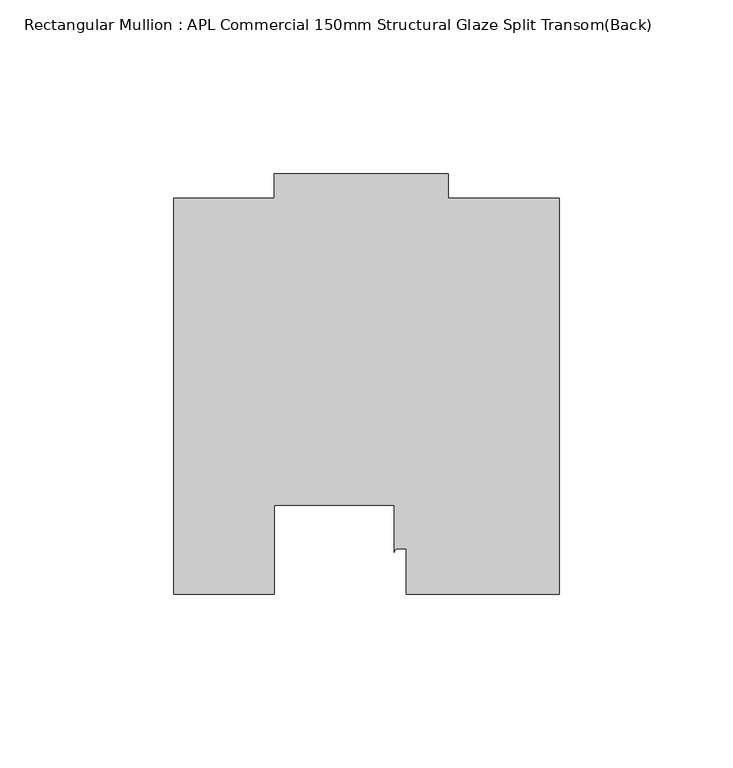
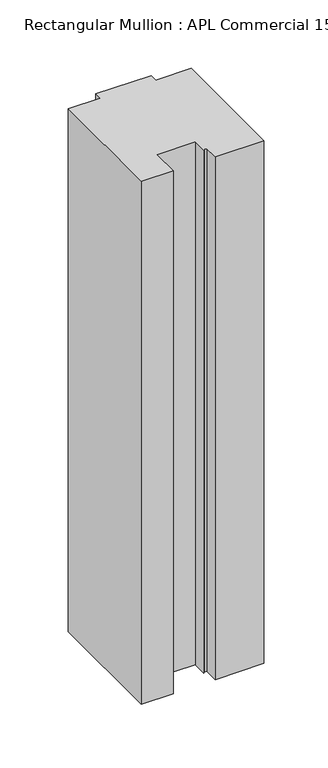
"""IFC4 building model written with IfcOpenShell, lengths in millimetres: member geometry, Rectangular Mullion : APL Commercial 150mm Structural Glaze Split Transom(Back)."""

from ifc_helpers import new_model, si_unit, point, frame, frame_2d, origin, place, context, project, spatial, polyline, circle_curve, trimmed, segment, composite_curve, outline, extrude, source, transform, mapped, element, save


def rectangular_mullion_apl_commercial_150mm_structural_glaze_7ca61022(model_context):
    return source(origin(), model_context, "Body", "SweptSolid", [
        extrude(outline(composite_curve([segment(polyline([(54.0000029, 15.0004617), (10.0000029, 15.0004617), (10.0000029, 28.0002131), (7.5000029, 28.0002131)]), True, "CONTINUOUS"), segment(trimmed(circle_curve(frame_2d((7.5000029, 27.0002131)), 1.0), [point((7.5000029, 28.0002131))], [point((6.5000029, 27.0002131))], True, "CARTESIAN"), True, "CONTINUOUS"), segment(polyline([(6.5000029, 27.0002131), (6.5000029, 40.499932), (-28.0000482, 40.499932), (-28.0000482, 15.0001793), (-57.0000004, 15.0001793), (-57.0000004, 129.0002765), (-27.9971154, 129.0002765), (-27.9971154, 136.0003326), (22.0028846, 136.0003326), (22.0028846, 129.0003326), (54.0000029, 129.0003326), (54.0000029, 15.0004617)]), True, "CONTINUOUS")], self_intersect=False)), frame((0.0, 0.0, -499.5829221), z_axis=(0.0, 0.0, 1.0), x_axis=(1.0, 0.0, 0.0)), (0.0, 0.0, 1.0), 499.5829221),
    ])


if __name__ == "__main__":
    model = new_model("IFC4")
    model_context = context("Model", 3, world=origin())
    ifc_project = project(units=[si_unit("LENGTHUNIT", "METRE", prefix="MILLI")], contexts=[model_context])
    site = spatial("IfcSite", under=ifc_project)
    building = spatial("IfcBuilding", under=site)
    placement = place(None, origin())
    rectangular_mullion_apl_commercial_150mm_structural_glaze_shape = rectangular_mullion_apl_commercial_150mm_structural_glaze_7ca61022(model_context)
    element("IfcMember", 1, ObjectType="Rectangular Mullion : APL Commercial 150mm Structural Glaze Split Transom(Back)", at=placement, inside=building, context=model_context, shape_type="MappedRepresentation", body=[
        mapped(rectangular_mullion_apl_commercial_150mm_structural_glaze_shape, transform((0.0, 0.0, 0.0), x_axis=(1.0, 0.0, 0.0), y_axis=(0.0, 1.0, 0.0), z_axis=(0.0, 0.0, 1.0))),
    ])
    save(model, "model.ifc")
